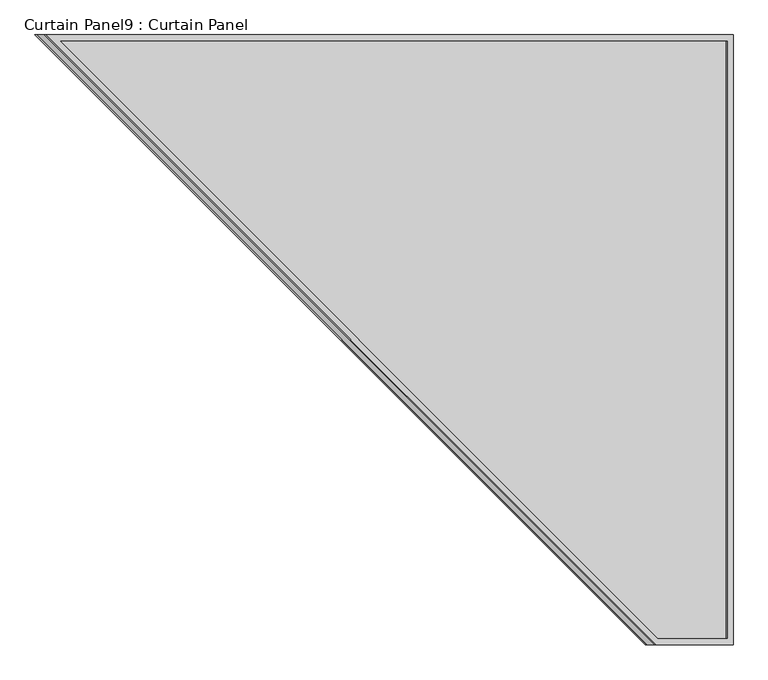
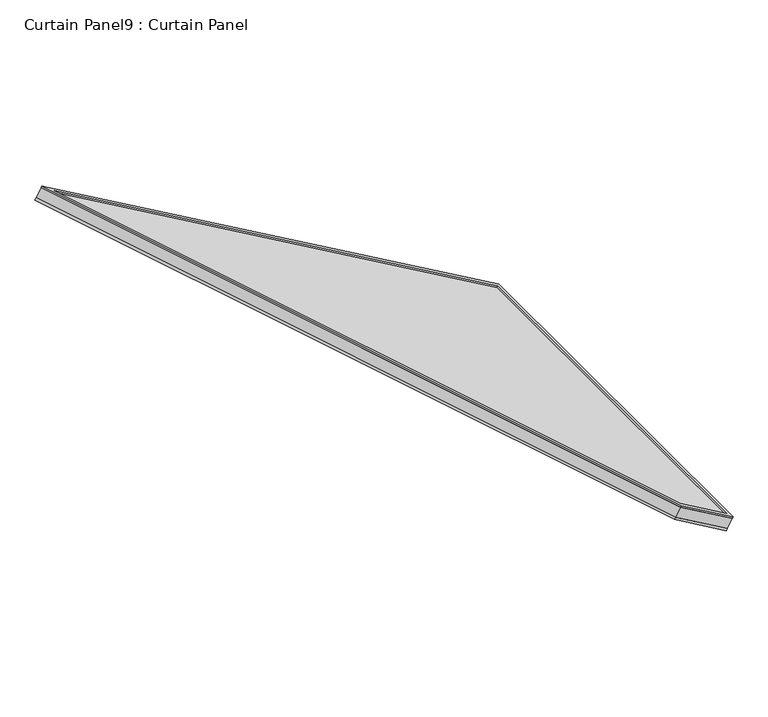
"""IFC4 building model written with IfcOpenShell, lengths in millimetres: plate geometry, Curtain Panel9 : Curtain Panel."""

from ifc_helpers import new_model, si_unit, frame, origin, place, context, project, spatial, polyline, outline, extrude, source, transform, mapped, element, save


def curtain_panel9_curtain_panel_273f4a30(model_context):
    return source(origin(), model_context, "Body", "SweptSolid", [
        extrude(outline(polyline([(1553.0277362, -1193.8), (1378.4815027, -1193.8), (0.0, 0.0), (1553.0277362, 0.0), (1553.0277362, -1193.8)]), holes=[polyline([(1540.3277362, -12.7), (34.0642673, -12.7), (1383.2163763, -1181.1), (1540.3277362, -1181.1), (1540.3277362, -12.7)])]), frame((-8283.648202, 8500.9537369, 2062.4356774), z_axis=(0.5000000000000023, 0.0, 0.8660254037844374), x_axis=(0.8660254037844374, 0.0, -0.5000000000000023)), (0.0, 0.0, 1.0), 4.8003678),
        extrude(outline(polyline([(1553.0277362, -1193.8), (1378.4815027, -1193.8), (0.0, 0.0), (1553.0277362, 0.0), (1553.0277362, -1193.8)]), holes=[polyline([(1540.3277362, -12.7), (34.0642674, -12.7), (1383.2163764, -1181.1), (1540.3277362, -1181.1), (1540.3277362, -12.7)])]), frame((-8302.0760181, 8500.9537369, 2030.5177637), z_axis=(0.5000000000000023, 0.0, 0.8660254037844374), x_axis=(0.8660254037844374, 0.0, -0.5000000000000023)), (0.0, 0.0, 1.0), 6.7312322),
        extrude(outline(polyline([(12.7, 0.0), (1206.5, 0.0), (1206.5, -174.5462334), (12.7, -1553.0277362), (12.7, 0.0)])), frame((-6953.7489297, 8513.6537369, 1259.8333136), z_axis=(0.5000000000000002, 0.0, 0.8660254037844386), x_axis=(0.0, -1.0, 0.0)), (0.0, 0.0, 1.0), 30.1244),
    ])


if __name__ == "__main__":
    model = new_model("IFC4")
    model_context = context("Model", 3, world=origin())
    ifc_project = project(units=[si_unit("LENGTHUNIT", "METRE", prefix="MILLI")], contexts=[model_context])
    site = spatial("IfcSite", under=ifc_project)
    building = spatial("IfcBuilding", under=site)
    placement = place(None, origin())
    curtain_panel9_curtain_panel_shape = curtain_panel9_curtain_panel_273f4a30(model_context)
    element("IfcPlate", 1, ObjectType="Curtain Panel9 : Curtain Panel", at=placement, inside=building, context=model_context, shape_type="MappedRepresentation", body=[
        mapped(curtain_panel9_curtain_panel_shape, transform((0.0, 0.0, 0.0), x_axis=(1.0, 0.0, 0.0), y_axis=(0.0, 1.0, 0.0), z_axis=(0.0, 0.0, 1.0))),
    ])
    save(model, "model.ifc")
